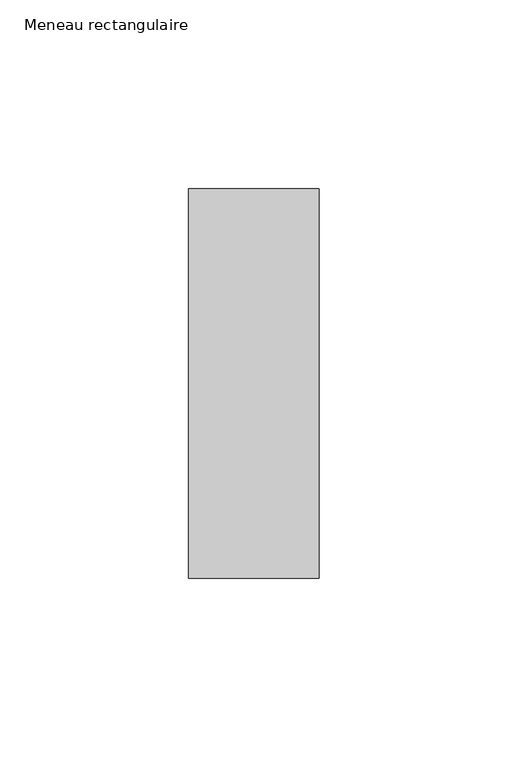
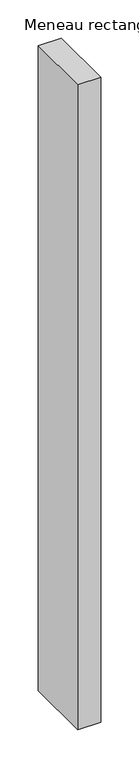
"""IFC4 building model written with IfcOpenShell, lengths in millimetres: member geometry, Meneau rectangulaire."""

from ifc_helpers import new_model, si_unit, frame, origin, place, context, project, spatial, polyline, outline, extrude, source, transform, mapped, element, save


def meneau_rectangulaire_786e7b5c(model_context):
    return source(origin(), model_context, "Body", "SweptSolid", [
        extrude(outline(polyline([(-34.5, 51.5), (0.0, 51.5), (0.0, -51.5), (-34.5, -51.5), (-34.5, 51.5)])), frame((0.0, 0.0, -1028.3830686), z_axis=(0.0, 0.0, 1.0), x_axis=(1.0, 0.0, 0.0)), (0.0, 0.0, 1.0), 1028.3830686),
    ])


if __name__ == "__main__":
    model = new_model("IFC4")
    model_context = context("Model", 3, world=origin())
    ifc_project = project(units=[si_unit("LENGTHUNIT", "METRE", prefix="MILLI")], contexts=[model_context])
    site = spatial("IfcSite", under=ifc_project)
    building = spatial("IfcBuilding", under=site)
    placement = place(None, origin())
    meneau_rectangulaire_shape = meneau_rectangulaire_786e7b5c(model_context)
    element("IfcMember", 1, ObjectType="Meneau rectangulaire", at=placement, inside=building, context=model_context, shape_type="MappedRepresentation", body=[
        mapped(meneau_rectangulaire_shape, transform((0.0, 0.0, 0.0), x_axis=(1.0, 0.0, 0.0), y_axis=(0.0, 1.0, 0.0), z_axis=(0.0, 0.0, 1.0))),
    ])
    save(model, "model.ifc")
